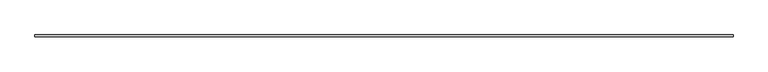
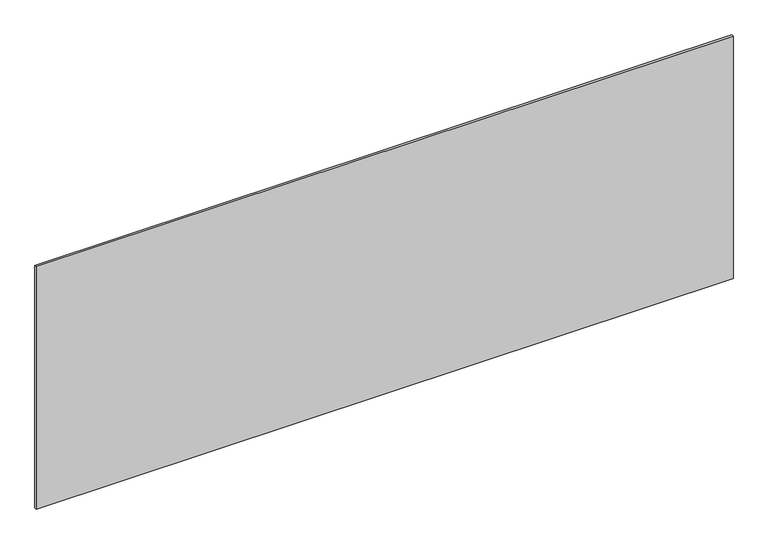
"""IFC4 building model written with IfcOpenShell, lengths in millimetres: plate geometry."""

from ifc_helpers import new_model, si_unit, origin, origin_with_axes, place, context, project, spatial, polyline, outline, extrude, source, transform, mapped, element, save


def plate_d6c8d9a2(model_context):
    return source(origin(), model_context, "Body", "SweptSolid", [
        extrude(outline(polyline([(1697.5, -5.0), (-1697.5, -5.0), (-1697.5, 5.0), (1697.5, 5.0), (1697.5, -5.0)])), origin_with_axes(), (0.0, 0.0, 1.0), 1249.3695227),
    ])


if __name__ == "__main__":
    model = new_model("IFC4")
    model_context = context("Model", 3, world=origin())
    ifc_project = project(units=[si_unit("LENGTHUNIT", "METRE", prefix="MILLI")], contexts=[model_context])
    site = spatial("IfcSite", under=ifc_project)
    building = spatial("IfcBuilding", under=site)
    placement = place(None, origin())
    plate_shape = plate_d6c8d9a2(model_context)
    element("IfcPlate", 1, at=placement, inside=building, context=model_context, shape_type="MappedRepresentation", body=[
        mapped(plate_shape, transform((0.0, 0.0, 0.0), x_axis=(1.0, 0.0, 0.0), y_axis=(0.0, 1.0, 0.0), z_axis=(0.0, 0.0, 1.0))),
    ])
    save(model, "model.ifc")
